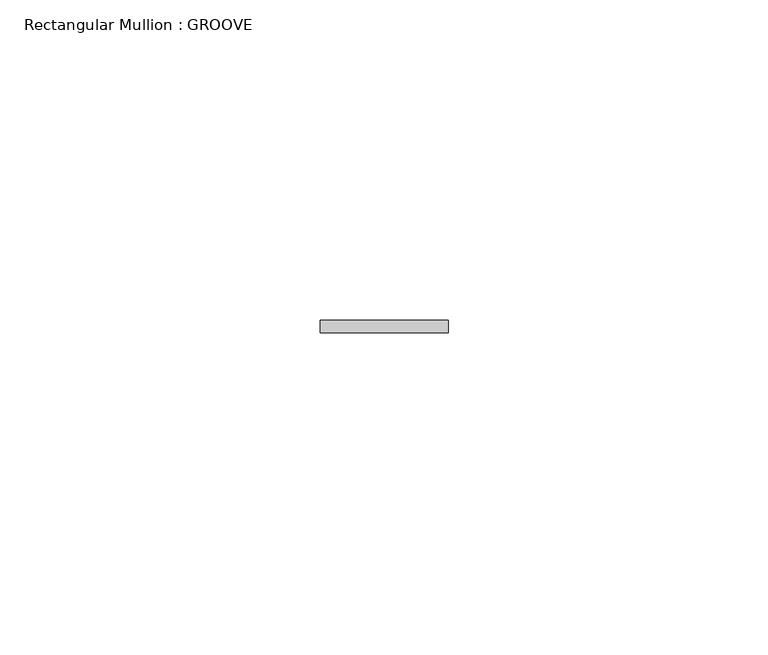
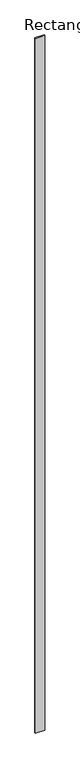
"""IFC4 building model written with IfcOpenShell, lengths in millimetres: member geometry, Rectangular Mullion : GROOVE."""

from ifc_helpers import new_model, si_unit, frame, origin, place, context, project, spatial, polyline, outline, extrude, source, transform, mapped, element, save


def rectangular_mullion_groove_897dcd13(model_context):
    return source(origin(), model_context, "Body", "SweptSolid", [
        extrude(outline(polyline([(10.0, 51.0), (10.0, 49.0), (-10.0, 49.0), (-10.0, 51.0), (10.0, 51.0)])), frame((0.0, 0.0, -1584.445853), z_axis=(0.0, 0.0, 1.0), x_axis=(1.0, 0.0, 0.0)), (0.0, 0.0, 1.0), 1584.445853),
    ])


if __name__ == "__main__":
    model = new_model("IFC4")
    model_context = context("Model", 3, world=origin())
    ifc_project = project(units=[si_unit("LENGTHUNIT", "METRE", prefix="MILLI")], contexts=[model_context])
    site = spatial("IfcSite", under=ifc_project)
    building = spatial("IfcBuilding", under=site)
    placement = place(None, origin())
    rectangular_mullion_groove_shape = rectangular_mullion_groove_897dcd13(model_context)
    element("IfcMember", 1, ObjectType="Rectangular Mullion : GROOVE", at=placement, inside=building, context=model_context, shape_type="MappedRepresentation", body=[
        mapped(rectangular_mullion_groove_shape, transform((0.0, 0.0, 0.0), x_axis=(1.0, 0.0, 0.0), y_axis=(0.0, 1.0, 0.0), z_axis=(0.0, 0.0, 1.0))),
    ])
    save(model, "model.ifc")
